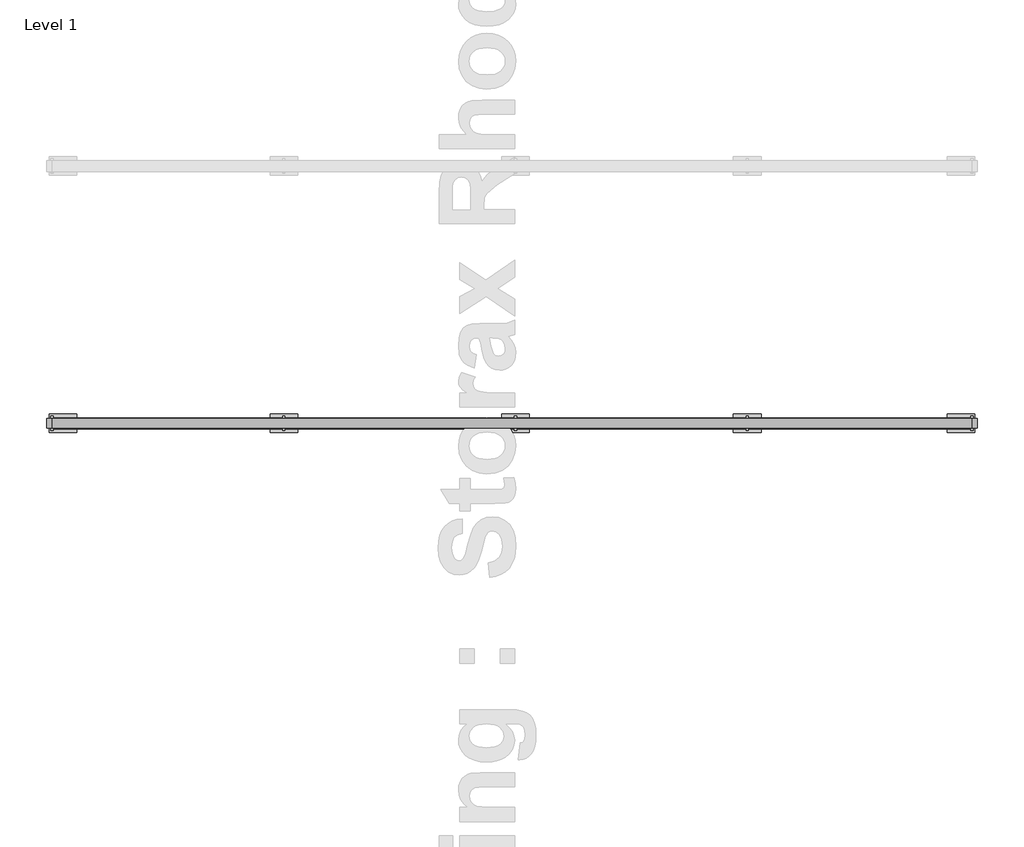
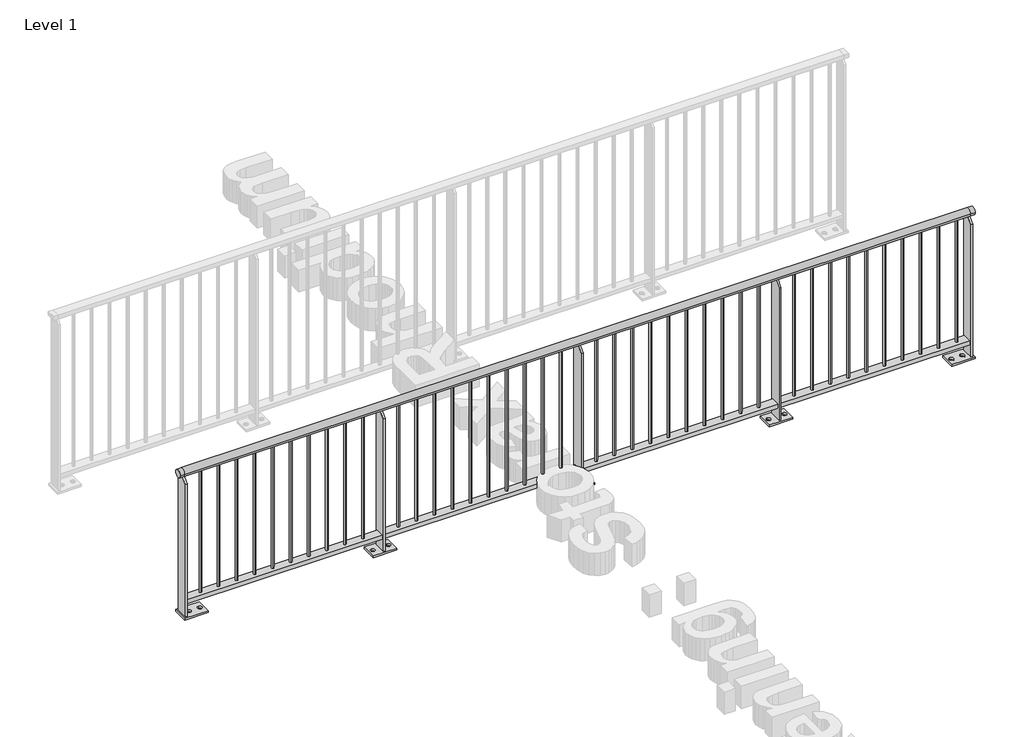
# One storey, part 7 of 20: 1 railing.
"""IFC4 building model written with IfcOpenShell, lengths in millimetres."""

from ifc_helpers import new_model, si_unit, point, frame, frame_2d, origin, origin_with_axes, place, context, project, spatial, polyline, circle_curve, trimmed, segment, composite_curve, outline, extrude, element, save
from ifc_brep_helpers import plane_surface, cylinder_surface, advanced_brep

model = new_model("IFC4")

# Units and contexts
model_context = context("Model", 3, world=origin())
ifc_project = project(units=[si_unit("LENGTHUNIT", "METRE", prefix="MILLI")], contexts=[model_context])

# Site, building, storey
site = spatial("IfcSite", under=ifc_project)
building = spatial("IfcBuilding", under=site)
storey = spatial("IfcBuildingStorey", under=building, Name="Level 1", Elevation=0.0)

# Railing
placement = place(None, origin())
element("IfcRailing", 1, at=placement, inside=storey, context=model_context, shape_type="SolidModel", body=[
    advanced_brep(
    [(2259.1925079, -2105.6318854, 962.5), (2259.1925079, -2155.6318854, 962.5), (7260.6479588, -2155.6318854, 962.5), (7260.6479588, -2105.6318854, 962.5), (2229.1925079, -2155.6318854, 962.5), (2229.1925079, -2105.6318854, 962.5), (7290.6479588, -2155.6318854, 962.5), (7290.6479588, -2105.6318854, 962.5)],
    [
        (0, 1, circle_curve(frame((2259.1925079, -2130.6318854, 962.5), z_axis=(1.0, 0.0, 0.0), x_axis=(0.0, 1.0, 0.0)), 25.0)),
        (1, 2),
        (2, 3, circle_curve(frame((7260.6479588, -2130.6318854, 962.5), z_axis=(-1.0, 0.0, 0.0), x_axis=(0.0, 1.0, 0.0)), 25.0)),
        (3, 0),
        (1, 0, circle_curve(frame((2259.1925079, -2130.6318854, 962.5), z_axis=(1.0, 0.0, 0.0), x_axis=(0.0, 1.0, 0.0)), 25.0)),
        (3, 2, circle_curve(frame((7260.6479588, -2130.6318854, 962.5), z_axis=(-1.0, 0.0, 0.0), x_axis=(0.0, 1.0, 0.0)), 25.0)),
        (4, 5, circle_curve(frame((2229.1925079, -2130.6318854, 962.5), z_axis=(-1.0, 0.0, 0.0), x_axis=(0.0, 1.0, 0.0)), 25.0)),
        (5, 4, circle_curve(frame((2229.1925079, -2130.6318854, 962.5), z_axis=(-1.0, 0.0, 0.0), x_axis=(0.0, 1.0, 0.0)), 25.0)),
        (6, 7, circle_curve(frame((7290.6479588, -2130.6318854, 962.5), z_axis=(1.0, 0.0, 0.0), x_axis=(0.0, 1.0, 0.0)), 25.0)),
        (7, 6, circle_curve(frame((7290.6479588, -2130.6318854, 962.5), z_axis=(1.0, 0.0, 0.0), x_axis=(0.0, 1.0, 0.0)), 25.0)),
        (4, 1),
        (0, 5),
        (2, 6),
        (7, 3),
    ],
    [
        cylinder_surface(frame((2259.1925079, -2130.6318854, 962.5), z_axis=(-1.0, 0.0, 0.0), x_axis=(0.0, 1.0, 0.0)), 25.0),
        plane_surface(frame((2229.1925079, -2130.6318854, 987.5), z_axis=(-1.0, 0.0, 0.0), x_axis=(0.0, 1.0, 0.0))),
        plane_surface(frame((7290.6479588, -2130.6318854, 987.5), z_axis=(1.0, 0.0, 0.0), x_axis=(0.0, 1.0, 0.0))),
        cylinder_surface(frame((2229.1925079, -2130.6318854, 962.5), z_axis=(-1.0, 0.0, 0.0), x_axis=(0.0, 1.0, 0.0)), 25.0),
        cylinder_surface(frame((7260.6479588, -2130.6318854, 962.5), z_axis=(-1.0, 0.0, 0.0), x_axis=(0.0, 1.0, 0.0)), 25.0),
    ],
    [
        (0, [[1, 2, 3, 4]]),
        (0, [[5, -4, 6, -2]]),
        (1, [[7, 8]]),
        (2, [[9, 10]]),
        (3, [[-7, 11, -1, 12]]),
        (3, [[-8, -12, -5, -11]]),
        (4, [[-3, 13, -10, 14]]),
        (4, [[-6, -14, -9, -13]]),
    ],
),
    extrude(outline(polyline([(2259.1925079, -2160.6318854), (2259.1925079, -2100.6318854), (7260.6479588, -2100.6318854), (7260.6479588, -2160.6318854), (2259.1925079, -2160.6318854)])), frame((0.0, 0.0, 90.0), z_axis=(0.0, 0.0, 1.0), x_axis=(1.0, 0.0, 0.0)), (0.0, 0.0, 1.0), 25.0),
    extrude(outline(composite_curve([segment(trimmed(circle_curve(frame_2d((7186.6925079, -2130.6318854)), 7.5), [point((7186.6925079, -2123.1318854))], [point((7186.6925079, -2138.1318854))], False, "CARTESIAN"), True, "CONTINUOUS"), segment(trimmed(circle_curve(frame_2d((7186.6925079, -2130.6318854)), 7.5), [point((7186.6925079, -2138.1318854))], [point((7186.6925079, -2123.1318854))], False, "CARTESIAN"), True, "CONTINUOUS")], self_intersect=False)), frame((0.0, 0.0, 115.0), z_axis=(0.0, 0.0, 1.0), x_axis=(1.0, 0.0, 0.0)), (0.0, 0.0, 1.0), 822.5),
    extrude(outline(composite_curve([segment(trimmed(circle_curve(frame_2d((7071.6925079, -2130.6318854)), 7.5), [point((7071.6925079, -2123.1318854))], [point((7071.6925079, -2138.1318854))], False, "CARTESIAN"), True, "CONTINUOUS"), segment(trimmed(circle_curve(frame_2d((7071.6925079, -2130.6318854)), 7.5), [point((7071.6925079, -2138.1318854))], [point((7071.6925079, -2123.1318854))], False, "CARTESIAN"), True, "CONTINUOUS")], self_intersect=False)), frame((0.0, 0.0, 115.0), z_axis=(0.0, 0.0, 1.0), x_axis=(1.0, 0.0, 0.0)), (0.0, 0.0, 1.0), 822.5),
    extrude(outline(composite_curve([segment(trimmed(circle_curve(frame_2d((6956.6925079, -2130.6318854)), 7.5), [point((6956.6925079, -2123.1318854))], [point((6956.6925079, -2138.1318854))], False, "CARTESIAN"), True, "CONTINUOUS"), segment(trimmed(circle_curve(frame_2d((6956.6925079, -2130.6318854)), 7.5), [point((6956.6925079, -2138.1318854))], [point((6956.6925079, -2123.1318854))], False, "CARTESIAN"), True, "CONTINUOUS")], self_intersect=False)), frame((0.0, 0.0, 115.0), z_axis=(0.0, 0.0, 1.0), x_axis=(1.0, 0.0, 0.0)), (0.0, 0.0, 1.0), 822.5),
    extrude(outline(composite_curve([segment(trimmed(circle_curve(frame_2d((6841.6925079, -2130.6318854)), 7.5), [point((6841.6925079, -2123.1318854))], [point((6841.6925079, -2138.1318854))], False, "CARTESIAN"), True, "CONTINUOUS"), segment(trimmed(circle_curve(frame_2d((6841.6925079, -2130.6318854)), 7.5), [point((6841.6925079, -2138.1318854))], [point((6841.6925079, -2123.1318854))], False, "CARTESIAN"), True, "CONTINUOUS")], self_intersect=False)), frame((0.0, 0.0, 115.0), z_axis=(0.0, 0.0, 1.0), x_axis=(1.0, 0.0, 0.0)), (0.0, 0.0, 1.0), 822.5),
    extrude(outline(composite_curve([segment(trimmed(circle_curve(frame_2d((6726.6925079, -2130.6318854)), 7.5), [point((6726.6925079, -2123.1318854))], [point((6726.6925079, -2138.1318854))], False, "CARTESIAN"), True, "CONTINUOUS"), segment(trimmed(circle_curve(frame_2d((6726.6925079, -2130.6318854)), 7.5), [point((6726.6925079, -2138.1318854))], [point((6726.6925079, -2123.1318854))], False, "CARTESIAN"), True, "CONTINUOUS")], self_intersect=False)), frame((0.0, 0.0, 115.0), z_axis=(0.0, 0.0, 1.0), x_axis=(1.0, 0.0, 0.0)), (0.0, 0.0, 1.0), 822.5),
    extrude(outline(composite_curve([segment(trimmed(circle_curve(frame_2d((6611.6925079, -2130.6318854)), 7.5), [point((6611.6925079, -2123.1318854))], [point((6611.6925079, -2138.1318854))], False, "CARTESIAN"), True, "CONTINUOUS"), segment(trimmed(circle_curve(frame_2d((6611.6925079, -2130.6318854)), 7.5), [point((6611.6925079, -2138.1318854))], [point((6611.6925079, -2123.1318854))], False, "CARTESIAN"), True, "CONTINUOUS")], self_intersect=False)), frame((0.0, 0.0, 115.0), z_axis=(0.0, 0.0, 1.0), x_axis=(1.0, 0.0, 0.0)), (0.0, 0.0, 1.0), 822.5),
    extrude(outline(composite_curve([segment(trimmed(circle_curve(frame_2d((6496.6925079, -2130.6318854)), 7.5), [point((6496.6925079, -2123.1318854))], [point((6496.6925079, -2138.1318854))], False, "CARTESIAN"), True, "CONTINUOUS"), segment(trimmed(circle_curve(frame_2d((6496.6925079, -2130.6318854)), 7.5), [point((6496.6925079, -2138.1318854))], [point((6496.6925079, -2123.1318854))], False, "CARTESIAN"), True, "CONTINUOUS")], self_intersect=False)), frame((0.0, 0.0, 115.0), z_axis=(0.0, 0.0, 1.0), x_axis=(1.0, 0.0, 0.0)), (0.0, 0.0, 1.0), 822.5),
    extrude(outline(composite_curve([segment(trimmed(circle_curve(frame_2d((6381.6925079, -2130.6318854)), 7.5), [point((6381.6925079, -2123.1318854))], [point((6381.6925079, -2138.1318854))], False, "CARTESIAN"), True, "CONTINUOUS"), segment(trimmed(circle_curve(frame_2d((6381.6925079, -2130.6318854)), 7.5), [point((6381.6925079, -2138.1318854))], [point((6381.6925079, -2123.1318854))], False, "CARTESIAN"), True, "CONTINUOUS")], self_intersect=False)), frame((0.0, 0.0, 115.0), z_axis=(0.0, 0.0, 1.0), x_axis=(1.0, 0.0, 0.0)), (0.0, 0.0, 1.0), 822.5),
    extrude(outline(composite_curve([segment(trimmed(circle_curve(frame_2d((6266.6925079, -2130.6318854)), 7.5), [point((6266.6925079, -2123.1318854))], [point((6266.6925079, -2138.1318854))], False, "CARTESIAN"), True, "CONTINUOUS"), segment(trimmed(circle_curve(frame_2d((6266.6925079, -2130.6318854)), 7.5), [point((6266.6925079, -2138.1318854))], [point((6266.6925079, -2123.1318854))], False, "CARTESIAN"), True, "CONTINUOUS")], self_intersect=False)), frame((0.0, 0.0, 115.0), z_axis=(0.0, 0.0, 1.0), x_axis=(1.0, 0.0, 0.0)), (0.0, 0.0, 1.0), 822.5),
    extrude(outline(composite_curve([segment(trimmed(circle_curve(frame_2d((6151.6925079, -2130.6318854)), 7.5), [point((6151.6925079, -2123.1318854))], [point((6151.6925079, -2138.1318854))], False, "CARTESIAN"), True, "CONTINUOUS"), segment(trimmed(circle_curve(frame_2d((6151.6925079, -2130.6318854)), 7.5), [point((6151.6925079, -2138.1318854))], [point((6151.6925079, -2123.1318854))], False, "CARTESIAN"), True, "CONTINUOUS")], self_intersect=False)), frame((0.0, 0.0, 115.0), z_axis=(0.0, 0.0, 1.0), x_axis=(1.0, 0.0, 0.0)), (0.0, 0.0, 1.0), 822.5),
    extrude(outline(polyline([(-2090.6318854, 12.0), (-2170.6318854, 12.0), (-2170.6318854, 905.0), (-2138.1318854, 937.5), (-2123.1318854, 937.5), (-2090.6318854, 905.0), (-2090.6318854, 12.0)])), frame((6033.1925079, 0.0, 0.0), z_axis=(1.0, 0.0, 0.0), x_axis=(0.0, 1.0, 0.0)), (0.0, 0.0, 1.0), 12.0),
    extrude(outline(polyline([(5964.1925079, -2080.6318854), (6114.1925079, -2080.6318854), (6114.1925079, -2180.6318854), (5964.1925079, -2180.6318854), (5964.1925079, -2080.6318854)]), holes=[composite_curve([segment(trimmed(circle_curve(frame_2d((5989.1925079, -2130.6318854)), 13.5), [point((5989.1925079, -2144.1318854))], [point((5989.1925079, -2117.1318854))], True, "CARTESIAN"), True, "CONTINUOUS"), segment(trimmed(circle_curve(frame_2d((5989.1925079, -2130.6318854)), 13.5), [point((5989.1925079, -2117.1318854))], [point((5989.1925079, -2144.1318854))], True, "CARTESIAN"), True, "CONTINUOUS")], self_intersect=False), composite_curve([segment(trimmed(circle_curve(frame_2d((6089.1925079, -2130.6318854)), 13.5), [point((6089.1925079, -2144.1318854))], [point((6089.1925079, -2117.1318854))], True, "CARTESIAN"), True, "CONTINUOUS"), segment(trimmed(circle_curve(frame_2d((6089.1925079, -2130.6318854)), 13.5), [point((6089.1925079, -2117.1318854))], [point((6089.1925079, -2144.1318854))], True, "CARTESIAN"), True, "CONTINUOUS")], self_intersect=False)]), origin_with_axes(), (0.0, 0.0, 1.0), 12.0),
    extrude(outline(composite_curve([segment(trimmed(circle_curve(frame_2d((5926.6925079, -2130.6318854)), 7.5), [point((5926.6925079, -2123.1318854))], [point((5926.6925079, -2138.1318854))], False, "CARTESIAN"), True, "CONTINUOUS"), segment(trimmed(circle_curve(frame_2d((5926.6925079, -2130.6318854)), 7.5), [point((5926.6925079, -2138.1318854))], [point((5926.6925079, -2123.1318854))], False, "CARTESIAN"), True, "CONTINUOUS")], self_intersect=False)), frame((0.0, 0.0, 115.0), z_axis=(0.0, 0.0, 1.0), x_axis=(1.0, 0.0, 0.0)), (0.0, 0.0, 1.0), 822.5),
    extrude(outline(composite_curve([segment(trimmed(circle_curve(frame_2d((5811.6925079, -2130.6318854)), 7.5), [point((5811.6925079, -2123.1318854))], [point((5811.6925079, -2138.1318854))], False, "CARTESIAN"), True, "CONTINUOUS"), segment(trimmed(circle_curve(frame_2d((5811.6925079, -2130.6318854)), 7.5), [point((5811.6925079, -2138.1318854))], [point((5811.6925079, -2123.1318854))], False, "CARTESIAN"), True, "CONTINUOUS")], self_intersect=False)), frame((0.0, 0.0, 115.0), z_axis=(0.0, 0.0, 1.0), x_axis=(1.0, 0.0, 0.0)), (0.0, 0.0, 1.0), 822.5),
    extrude(outline(composite_curve([segment(trimmed(circle_curve(frame_2d((5696.6925079, -2130.6318854)), 7.5), [point((5696.6925079, -2123.1318854))], [point((5696.6925079, -2138.1318854))], False, "CARTESIAN"), True, "CONTINUOUS"), segment(trimmed(circle_curve(frame_2d((5696.6925079, -2130.6318854)), 7.5), [point((5696.6925079, -2138.1318854))], [point((5696.6925079, -2123.1318854))], False, "CARTESIAN"), True, "CONTINUOUS")], self_intersect=False)), frame((0.0, 0.0, 115.0), z_axis=(0.0, 0.0, 1.0), x_axis=(1.0, 0.0, 0.0)), (0.0, 0.0, 1.0), 822.5),
    extrude(outline(composite_curve([segment(trimmed(circle_curve(frame_2d((5581.6925079, -2130.6318854)), 7.5), [point((5581.6925079, -2123.1318854))], [point((5581.6925079, -2138.1318854))], False, "CARTESIAN"), True, "CONTINUOUS"), segment(trimmed(circle_curve(frame_2d((5581.6925079, -2130.6318854)), 7.5), [point((5581.6925079, -2138.1318854))], [point((5581.6925079, -2123.1318854))], False, "CARTESIAN"), True, "CONTINUOUS")], self_intersect=False)), frame((0.0, 0.0, 115.0), z_axis=(0.0, 0.0, 1.0), x_axis=(1.0, 0.0, 0.0)), (0.0, 0.0, 1.0), 822.5),
    extrude(outline(composite_curve([segment(trimmed(circle_curve(frame_2d((5466.6925079, -2130.6318854)), 7.5), [point((5466.6925079, -2123.1318854))], [point((5466.6925079, -2138.1318854))], False, "CARTESIAN"), True, "CONTINUOUS"), segment(trimmed(circle_curve(frame_2d((5466.6925079, -2130.6318854)), 7.5), [point((5466.6925079, -2138.1318854))], [point((5466.6925079, -2123.1318854))], False, "CARTESIAN"), True, "CONTINUOUS")], self_intersect=False)), frame((0.0, 0.0, 115.0), z_axis=(0.0, 0.0, 1.0), x_axis=(1.0, 0.0, 0.0)), (0.0, 0.0, 1.0), 822.5),
    extrude(outline(composite_curve([segment(trimmed(circle_curve(frame_2d((5351.6925079, -2130.6318854)), 7.5), [point((5351.6925079, -2123.1318854))], [point((5351.6925079, -2138.1318854))], False, "CARTESIAN"), True, "CONTINUOUS"), segment(trimmed(circle_curve(frame_2d((5351.6925079, -2130.6318854)), 7.5), [point((5351.6925079, -2138.1318854))], [point((5351.6925079, -2123.1318854))], False, "CARTESIAN"), True, "CONTINUOUS")], self_intersect=False)), frame((0.0, 0.0, 115.0), z_axis=(0.0, 0.0, 1.0), x_axis=(1.0, 0.0, 0.0)), (0.0, 0.0, 1.0), 822.5),
    extrude(outline(composite_curve([segment(trimmed(circle_curve(frame_2d((5236.6925079, -2130.6318854)), 7.5), [point((5236.6925079, -2123.1318854))], [point((5236.6925079, -2138.1318854))], False, "CARTESIAN"), True, "CONTINUOUS"), segment(trimmed(circle_curve(frame_2d((5236.6925079, -2130.6318854)), 7.5), [point((5236.6925079, -2138.1318854))], [point((5236.6925079, -2123.1318854))], False, "CARTESIAN"), True, "CONTINUOUS")], self_intersect=False)), frame((0.0, 0.0, 115.0), z_axis=(0.0, 0.0, 1.0), x_axis=(1.0, 0.0, 0.0)), (0.0, 0.0, 1.0), 822.5),
    extrude(outline(composite_curve([segment(trimmed(circle_curve(frame_2d((5121.6925079, -2130.6318854)), 7.5), [point((5121.6925079, -2123.1318854))], [point((5121.6925079, -2138.1318854))], False, "CARTESIAN"), True, "CONTINUOUS"), segment(trimmed(circle_curve(frame_2d((5121.6925079, -2130.6318854)), 7.5), [point((5121.6925079, -2138.1318854))], [point((5121.6925079, -2123.1318854))], False, "CARTESIAN"), True, "CONTINUOUS")], self_intersect=False)), frame((0.0, 0.0, 115.0), z_axis=(0.0, 0.0, 1.0), x_axis=(1.0, 0.0, 0.0)), (0.0, 0.0, 1.0), 822.5),
    extrude(outline(composite_curve([segment(trimmed(circle_curve(frame_2d((5006.6925079, -2130.6318854)), 7.5), [point((5006.6925079, -2123.1318854))], [point((5006.6925079, -2138.1318854))], False, "CARTESIAN"), True, "CONTINUOUS"), segment(trimmed(circle_curve(frame_2d((5006.6925079, -2130.6318854)), 7.5), [point((5006.6925079, -2138.1318854))], [point((5006.6925079, -2123.1318854))], False, "CARTESIAN"), True, "CONTINUOUS")], self_intersect=False)), frame((0.0, 0.0, 115.0), z_axis=(0.0, 0.0, 1.0), x_axis=(1.0, 0.0, 0.0)), (0.0, 0.0, 1.0), 822.5),
    extrude(outline(composite_curve([segment(trimmed(circle_curve(frame_2d((4891.6925079, -2130.6318854)), 7.5), [point((4891.6925079, -2123.1318854))], [point((4891.6925079, -2138.1318854))], False, "CARTESIAN"), True, "CONTINUOUS"), segment(trimmed(circle_curve(frame_2d((4891.6925079, -2130.6318854)), 7.5), [point((4891.6925079, -2138.1318854))], [point((4891.6925079, -2123.1318854))], False, "CARTESIAN"), True, "CONTINUOUS")], self_intersect=False)), frame((0.0, 0.0, 115.0), z_axis=(0.0, 0.0, 1.0), x_axis=(1.0, 0.0, 0.0)), (0.0, 0.0, 1.0), 822.5),
    extrude(outline(polyline([(-2090.6318854, 12.0), (-2170.6318854, 12.0), (-2170.6318854, 905.0), (-2138.1318854, 937.5), (-2123.1318854, 937.5), (-2090.6318854, 905.0), (-2090.6318854, 12.0)])), frame((4773.1925079, 0.0, 0.0), z_axis=(1.0, 0.0, 0.0), x_axis=(0.0, 1.0, 0.0)), (0.0, 0.0, 1.0), 12.0),
    extrude(outline(polyline([(4704.1925079, -2080.6318854), (4854.1925079, -2080.6318854), (4854.1925079, -2180.6318854), (4704.1925079, -2180.6318854), (4704.1925079, -2080.6318854)]), holes=[composite_curve([segment(trimmed(circle_curve(frame_2d((4729.1925079, -2130.6318854)), 13.5), [point((4729.1925079, -2144.1318854))], [point((4729.1925079, -2117.1318854))], True, "CARTESIAN"), True, "CONTINUOUS"), segment(trimmed(circle_curve(frame_2d((4729.1925079, -2130.6318854)), 13.5), [point((4729.1925079, -2117.1318854))], [point((4729.1925079, -2144.1318854))], True, "CARTESIAN"), True, "CONTINUOUS")], self_intersect=False), composite_curve([segment(trimmed(circle_curve(frame_2d((4829.1925079, -2130.6318854)), 13.5), [point((4829.1925079, -2144.1318854))], [point((4829.1925079, -2117.1318854))], True, "CARTESIAN"), True, "CONTINUOUS"), segment(trimmed(circle_curve(frame_2d((4829.1925079, -2130.6318854)), 13.5), [point((4829.1925079, -2117.1318854))], [point((4829.1925079, -2144.1318854))], True, "CARTESIAN"), True, "CONTINUOUS")], self_intersect=False)]), origin_with_axes(), (0.0, 0.0, 1.0), 12.0),
    extrude(outline(composite_curve([segment(trimmed(circle_curve(frame_2d((4666.6925079, -2130.6318854)), 7.5), [point((4666.6925079, -2123.1318854))], [point((4666.6925079, -2138.1318854))], False, "CARTESIAN"), True, "CONTINUOUS"), segment(trimmed(circle_curve(frame_2d((4666.6925079, -2130.6318854)), 7.5), [point((4666.6925079, -2138.1318854))], [point((4666.6925079, -2123.1318854))], False, "CARTESIAN"), True, "CONTINUOUS")], self_intersect=False)), frame((0.0, 0.0, 115.0), z_axis=(0.0, 0.0, 1.0), x_axis=(1.0, 0.0, 0.0)), (0.0, 0.0, 1.0), 822.5),
    extrude(outline(composite_curve([segment(trimmed(circle_curve(frame_2d((4551.6925079, -2130.6318854)), 7.5), [point((4551.6925079, -2123.1318854))], [point((4551.6925079, -2138.1318854))], False, "CARTESIAN"), True, "CONTINUOUS"), segment(trimmed(circle_curve(frame_2d((4551.6925079, -2130.6318854)), 7.5), [point((4551.6925079, -2138.1318854))], [point((4551.6925079, -2123.1318854))], False, "CARTESIAN"), True, "CONTINUOUS")], self_intersect=False)), frame((0.0, 0.0, 115.0), z_axis=(0.0, 0.0, 1.0), x_axis=(1.0, 0.0, 0.0)), (0.0, 0.0, 1.0), 822.5),
    extrude(outline(composite_curve([segment(trimmed(circle_curve(frame_2d((4436.6925079, -2130.6318854)), 7.5), [point((4436.6925079, -2123.1318854))], [point((4436.6925079, -2138.1318854))], False, "CARTESIAN"), True, "CONTINUOUS"), segment(trimmed(circle_curve(frame_2d((4436.6925079, -2130.6318854)), 7.5), [point((4436.6925079, -2138.1318854))], [point((4436.6925079, -2123.1318854))], False, "CARTESIAN"), True, "CONTINUOUS")], self_intersect=False)), frame((0.0, 0.0, 115.0), z_axis=(0.0, 0.0, 1.0), x_axis=(1.0, 0.0, 0.0)), (0.0, 0.0, 1.0), 822.5),
    extrude(outline(composite_curve([segment(trimmed(circle_curve(frame_2d((4321.6925079, -2130.6318854)), 7.5), [point((4321.6925079, -2123.1318854))], [point((4321.6925079, -2138.1318854))], False, "CARTESIAN"), True, "CONTINUOUS"), segment(trimmed(circle_curve(frame_2d((4321.6925079, -2130.6318854)), 7.5), [point((4321.6925079, -2138.1318854))], [point((4321.6925079, -2123.1318854))], False, "CARTESIAN"), True, "CONTINUOUS")], self_intersect=False)), frame((0.0, 0.0, 115.0), z_axis=(0.0, 0.0, 1.0), x_axis=(1.0, 0.0, 0.0)), (0.0, 0.0, 1.0), 822.5),
    extrude(outline(composite_curve([segment(trimmed(circle_curve(frame_2d((4206.6925079, -2130.6318854)), 7.5), [point((4206.6925079, -2123.1318854))], [point((4206.6925079, -2138.1318854))], False, "CARTESIAN"), True, "CONTINUOUS"), segment(trimmed(circle_curve(frame_2d((4206.6925079, -2130.6318854)), 7.5), [point((4206.6925079, -2138.1318854))], [point((4206.6925079, -2123.1318854))], False, "CARTESIAN"), True, "CONTINUOUS")], self_intersect=False)), frame((0.0, 0.0, 115.0), z_axis=(0.0, 0.0, 1.0), x_axis=(1.0, 0.0, 0.0)), (0.0, 0.0, 1.0), 822.5),
    extrude(outline(composite_curve([segment(trimmed(circle_curve(frame_2d((4091.6925079, -2130.6318854)), 7.5), [point((4091.6925079, -2123.1318854))], [point((4091.6925079, -2138.1318854))], False, "CARTESIAN"), True, "CONTINUOUS"), segment(trimmed(circle_curve(frame_2d((4091.6925079, -2130.6318854)), 7.5), [point((4091.6925079, -2138.1318854))], [point((4091.6925079, -2123.1318854))], False, "CARTESIAN"), True, "CONTINUOUS")], self_intersect=False)), frame((0.0, 0.0, 115.0), z_axis=(0.0, 0.0, 1.0), x_axis=(1.0, 0.0, 0.0)), (0.0, 0.0, 1.0), 822.5),
    extrude(outline(composite_curve([segment(trimmed(circle_curve(frame_2d((3976.6925079, -2130.6318854)), 7.5), [point((3976.6925079, -2123.1318854))], [point((3976.6925079, -2138.1318854))], False, "CARTESIAN"), True, "CONTINUOUS"), segment(trimmed(circle_curve(frame_2d((3976.6925079, -2130.6318854)), 7.5), [point((3976.6925079, -2138.1318854))], [point((3976.6925079, -2123.1318854))], False, "CARTESIAN"), True, "CONTINUOUS")], self_intersect=False)), frame((0.0, 0.0, 115.0), z_axis=(0.0, 0.0, 1.0), x_axis=(1.0, 0.0, 0.0)), (0.0, 0.0, 1.0), 822.5),
    extrude(outline(composite_curve([segment(trimmed(circle_curve(frame_2d((3861.6925079, -2130.6318854)), 7.5), [point((3861.6925079, -2123.1318854))], [point((3861.6925079, -2138.1318854))], False, "CARTESIAN"), True, "CONTINUOUS"), segment(trimmed(circle_curve(frame_2d((3861.6925079, -2130.6318854)), 7.5), [point((3861.6925079, -2138.1318854))], [point((3861.6925079, -2123.1318854))], False, "CARTESIAN"), True, "CONTINUOUS")], self_intersect=False)), frame((0.0, 0.0, 115.0), z_axis=(0.0, 0.0, 1.0), x_axis=(1.0, 0.0, 0.0)), (0.0, 0.0, 1.0), 822.5),
    extrude(outline(composite_curve([segment(trimmed(circle_curve(frame_2d((3746.6925079, -2130.6318854)), 7.5), [point((3746.6925079, -2123.1318854))], [point((3746.6925079, -2138.1318854))], False, "CARTESIAN"), True, "CONTINUOUS"), segment(trimmed(circle_curve(frame_2d((3746.6925079, -2130.6318854)), 7.5), [point((3746.6925079, -2138.1318854))], [point((3746.6925079, -2123.1318854))], False, "CARTESIAN"), True, "CONTINUOUS")], self_intersect=False)), frame((0.0, 0.0, 115.0), z_axis=(0.0, 0.0, 1.0), x_axis=(1.0, 0.0, 0.0)), (0.0, 0.0, 1.0), 822.5),
    extrude(outline(composite_curve([segment(trimmed(circle_curve(frame_2d((3631.6925079, -2130.6318854)), 7.5), [point((3631.6925079, -2123.1318854))], [point((3631.6925079, -2138.1318854))], False, "CARTESIAN"), True, "CONTINUOUS"), segment(trimmed(circle_curve(frame_2d((3631.6925079, -2130.6318854)), 7.5), [point((3631.6925079, -2138.1318854))], [point((3631.6925079, -2123.1318854))], False, "CARTESIAN"), True, "CONTINUOUS")], self_intersect=False)), frame((0.0, 0.0, 115.0), z_axis=(0.0, 0.0, 1.0), x_axis=(1.0, 0.0, 0.0)), (0.0, 0.0, 1.0), 822.5),
    extrude(outline(polyline([(-2090.6318854, 12.0), (-2170.6318854, 12.0), (-2170.6318854, 905.0), (-2138.1318854, 937.5), (-2123.1318854, 937.5), (-2090.6318854, 905.0), (-2090.6318854, 12.0)])), frame((3513.1925079, 0.0, 0.0), z_axis=(1.0, 0.0, 0.0), x_axis=(0.0, 1.0, 0.0)), (0.0, 0.0, 1.0), 12.0),
    extrude(outline(polyline([(3444.1925079, -2080.6318854), (3594.1925079, -2080.6318854), (3594.1925079, -2180.6318854), (3444.1925079, -2180.6318854), (3444.1925079, -2080.6318854)]), holes=[composite_curve([segment(trimmed(circle_curve(frame_2d((3469.1925079, -2130.6318854)), 13.5), [point((3469.1925079, -2144.1318854))], [point((3469.1925079, -2117.1318854))], True, "CARTESIAN"), True, "CONTINUOUS"), segment(trimmed(circle_curve(frame_2d((3469.1925079, -2130.6318854)), 13.5), [point((3469.1925079, -2117.1318854))], [point((3469.1925079, -2144.1318854))], True, "CARTESIAN"), True, "CONTINUOUS")], self_intersect=False), composite_curve([segment(trimmed(circle_curve(frame_2d((3569.1925079, -2130.6318854)), 13.5), [point((3569.1925079, -2144.1318854))], [point((3569.1925079, -2117.1318854))], True, "CARTESIAN"), True, "CONTINUOUS"), segment(trimmed(circle_curve(frame_2d((3569.1925079, -2130.6318854)), 13.5), [point((3569.1925079, -2117.1318854))], [point((3569.1925079, -2144.1318854))], True, "CARTESIAN"), True, "CONTINUOUS")], self_intersect=False)]), origin_with_axes(), (0.0, 0.0, 1.0), 12.0),
    extrude(outline(composite_curve([segment(trimmed(circle_curve(frame_2d((3406.6925079, -2130.6318854)), 7.5), [point((3406.6925079, -2123.1318854))], [point((3406.6925079, -2138.1318854))], False, "CARTESIAN"), True, "CONTINUOUS"), segment(trimmed(circle_curve(frame_2d((3406.6925079, -2130.6318854)), 7.5), [point((3406.6925079, -2138.1318854))], [point((3406.6925079, -2123.1318854))], False, "CARTESIAN"), True, "CONTINUOUS")], self_intersect=False)), frame((0.0, 0.0, 115.0), z_axis=(0.0, 0.0, 1.0), x_axis=(1.0, 0.0, 0.0)), (0.0, 0.0, 1.0), 822.5),
    extrude(outline(composite_curve([segment(trimmed(circle_curve(frame_2d((3291.6925079, -2130.6318854)), 7.5), [point((3291.6925079, -2123.1318854))], [point((3291.6925079, -2138.1318854))], False, "CARTESIAN"), True, "CONTINUOUS"), segment(trimmed(circle_curve(frame_2d((3291.6925079, -2130.6318854)), 7.5), [point((3291.6925079, -2138.1318854))], [point((3291.6925079, -2123.1318854))], False, "CARTESIAN"), True, "CONTINUOUS")], self_intersect=False)), frame((0.0, 0.0, 115.0), z_axis=(0.0, 0.0, 1.0), x_axis=(1.0, 0.0, 0.0)), (0.0, 0.0, 1.0), 822.5),
    extrude(outline(composite_curve([segment(trimmed(circle_curve(frame_2d((3176.6925079, -2130.6318854)), 7.5), [point((3176.6925079, -2123.1318854))], [point((3176.6925079, -2138.1318854))], False, "CARTESIAN"), True, "CONTINUOUS"), segment(trimmed(circle_curve(frame_2d((3176.6925079, -2130.6318854)), 7.5), [point((3176.6925079, -2138.1318854))], [point((3176.6925079, -2123.1318854))], False, "CARTESIAN"), True, "CONTINUOUS")], self_intersect=False)), frame((0.0, 0.0, 115.0), z_axis=(0.0, 0.0, 1.0), x_axis=(1.0, 0.0, 0.0)), (0.0, 0.0, 1.0), 822.5),
    extrude(outline(composite_curve([segment(trimmed(circle_curve(frame_2d((3061.6925079, -2130.6318854)), 7.5), [point((3061.6925079, -2123.1318854))], [point((3061.6925079, -2138.1318854))], False, "CARTESIAN"), True, "CONTINUOUS"), segment(trimmed(circle_curve(frame_2d((3061.6925079, -2130.6318854)), 7.5), [point((3061.6925079, -2138.1318854))], [point((3061.6925079, -2123.1318854))], False, "CARTESIAN"), True, "CONTINUOUS")], self_intersect=False)), frame((0.0, 0.0, 115.0), z_axis=(0.0, 0.0, 1.0), x_axis=(1.0, 0.0, 0.0)), (0.0, 0.0, 1.0), 822.5),
    extrude(outline(composite_curve([segment(trimmed(circle_curve(frame_2d((2946.6925079, -2130.6318854)), 7.5), [point((2946.6925079, -2123.1318854))], [point((2946.6925079, -2138.1318854))], False, "CARTESIAN"), True, "CONTINUOUS"), segment(trimmed(circle_curve(frame_2d((2946.6925079, -2130.6318854)), 7.5), [point((2946.6925079, -2138.1318854))], [point((2946.6925079, -2123.1318854))], False, "CARTESIAN"), True, "CONTINUOUS")], self_intersect=False)), frame((0.0, 0.0, 115.0), z_axis=(0.0, 0.0, 1.0), x_axis=(1.0, 0.0, 0.0)), (0.0, 0.0, 1.0), 822.5),
    extrude(outline(composite_curve([segment(trimmed(circle_curve(frame_2d((2831.6925079, -2130.6318854)), 7.5), [point((2831.6925079, -2123.1318854))], [point((2831.6925079, -2138.1318854))], False, "CARTESIAN"), True, "CONTINUOUS"), segment(trimmed(circle_curve(frame_2d((2831.6925079, -2130.6318854)), 7.5), [point((2831.6925079, -2138.1318854))], [point((2831.6925079, -2123.1318854))], False, "CARTESIAN"), True, "CONTINUOUS")], self_intersect=False)), frame((0.0, 0.0, 115.0), z_axis=(0.0, 0.0, 1.0), x_axis=(1.0, 0.0, 0.0)), (0.0, 0.0, 1.0), 822.5),
    extrude(outline(composite_curve([segment(trimmed(circle_curve(frame_2d((2716.6925079, -2130.6318854)), 7.5), [point((2716.6925079, -2123.1318854))], [point((2716.6925079, -2138.1318854))], False, "CARTESIAN"), True, "CONTINUOUS"), segment(trimmed(circle_curve(frame_2d((2716.6925079, -2130.6318854)), 7.5), [point((2716.6925079, -2138.1318854))], [point((2716.6925079, -2123.1318854))], False, "CARTESIAN"), True, "CONTINUOUS")], self_intersect=False)), frame((0.0, 0.0, 115.0), z_axis=(0.0, 0.0, 1.0), x_axis=(1.0, 0.0, 0.0)), (0.0, 0.0, 1.0), 822.5),
    extrude(outline(composite_curve([segment(trimmed(circle_curve(frame_2d((2601.6925079, -2130.6318854)), 7.5), [point((2601.6925079, -2123.1318854))], [point((2601.6925079, -2138.1318854))], False, "CARTESIAN"), True, "CONTINUOUS"), segment(trimmed(circle_curve(frame_2d((2601.6925079, -2130.6318854)), 7.5), [point((2601.6925079, -2138.1318854))], [point((2601.6925079, -2123.1318854))], False, "CARTESIAN"), True, "CONTINUOUS")], self_intersect=False)), frame((0.0, 0.0, 115.0), z_axis=(0.0, 0.0, 1.0), x_axis=(1.0, 0.0, 0.0)), (0.0, 0.0, 1.0), 822.5),
    extrude(outline(composite_curve([segment(trimmed(circle_curve(frame_2d((2486.6925079, -2130.6318854)), 7.5), [point((2486.6925079, -2123.1318854))], [point((2486.6925079, -2138.1318854))], False, "CARTESIAN"), True, "CONTINUOUS"), segment(trimmed(circle_curve(frame_2d((2486.6925079, -2130.6318854)), 7.5), [point((2486.6925079, -2138.1318854))], [point((2486.6925079, -2123.1318854))], False, "CARTESIAN"), True, "CONTINUOUS")], self_intersect=False)), frame((0.0, 0.0, 115.0), z_axis=(0.0, 0.0, 1.0), x_axis=(1.0, 0.0, 0.0)), (0.0, 0.0, 1.0), 822.5),
    extrude(outline(composite_curve([segment(trimmed(circle_curve(frame_2d((2371.6925079, -2130.6318854)), 7.5), [point((2371.6925079, -2123.1318854))], [point((2371.6925079, -2138.1318854))], False, "CARTESIAN"), True, "CONTINUOUS"), segment(trimmed(circle_curve(frame_2d((2371.6925079, -2130.6318854)), 7.5), [point((2371.6925079, -2138.1318854))], [point((2371.6925079, -2123.1318854))], False, "CARTESIAN"), True, "CONTINUOUS")], self_intersect=False)), frame((0.0, 0.0, 115.0), z_axis=(0.0, 0.0, 1.0), x_axis=(1.0, 0.0, 0.0)), (0.0, 0.0, 1.0), 822.5),
    extrude(outline(polyline([(-2090.6318854, 12.0), (-2170.6318854, 12.0), (-2170.6318854, 905.0), (-2138.1318854, 937.5), (-2123.1318854, 937.5), (-2090.6318854, 905.0), (-2090.6318854, 12.0)])), frame((7254.6479588, 0.0, 0.0), z_axis=(1.0, 0.0, 0.0), x_axis=(0.0, 1.0, 0.0)), (0.0, 0.0, 1.0), 12.0),
    extrude(outline(polyline([(7126.6479588, -2080.6318854), (7276.6479588, -2080.6318854), (7276.6479588, -2180.6318854), (7126.6479588, -2180.6318854), (7126.6479588, -2080.6318854)]), holes=[composite_curve([segment(trimmed(circle_curve(frame_2d((7151.6479588, -2130.6318854)), 13.5), [point((7151.6479588, -2144.1318854))], [point((7151.6479588, -2117.1318854))], True, "CARTESIAN"), True, "CONTINUOUS"), segment(trimmed(circle_curve(frame_2d((7151.6479588, -2130.6318854)), 13.5), [point((7151.6479588, -2117.1318854))], [point((7151.6479588, -2144.1318854))], True, "CARTESIAN"), True, "CONTINUOUS")], self_intersect=False), composite_curve([segment(trimmed(circle_curve(frame_2d((7221.6479588, -2130.6318854)), 13.5), [point((7221.6479588, -2144.1318854))], [point((7221.6479588, -2117.1318854))], True, "CARTESIAN"), True, "CONTINUOUS"), segment(trimmed(circle_curve(frame_2d((7221.6479588, -2130.6318854)), 13.5), [point((7221.6479588, -2117.1318854))], [point((7221.6479588, -2144.1318854))], True, "CARTESIAN"), True, "CONTINUOUS")], self_intersect=False)]), origin_with_axes(), (0.0, 0.0, 1.0), 12.0),
    extrude(outline(polyline([(-2090.6318854, 12.0), (-2170.6318854, 12.0), (-2170.6318854, 905.0), (-2138.1318854, 937.5), (-2123.1318854, 937.5), (-2090.6318854, 905.0), (-2090.6318854, 12.0)])), frame((2253.1925079, 0.0, 0.0), z_axis=(1.0, 0.0, 0.0), x_axis=(0.0, 1.0, 0.0)), (0.0, 0.0, 1.0), 12.0),
    extrude(outline(polyline([(2243.1925079, -2080.6318854), (2393.1925079, -2080.6318854), (2393.1925079, -2180.6318854), (2243.1925079, -2180.6318854), (2243.1925079, -2080.6318854)]), holes=[composite_curve([segment(trimmed(circle_curve(frame_2d((2298.1925079, -2130.6318854)), 13.5), [point((2298.1925079, -2144.1318854))], [point((2298.1925079, -2117.1318854))], True, "CARTESIAN"), True, "CONTINUOUS"), segment(trimmed(circle_curve(frame_2d((2298.1925079, -2130.6318854)), 13.5), [point((2298.1925079, -2117.1318854))], [point((2298.1925079, -2144.1318854))], True, "CARTESIAN"), True, "CONTINUOUS")], self_intersect=False), composite_curve([segment(trimmed(circle_curve(frame_2d((2368.1925079, -2130.6318854)), 13.5), [point((2368.1925079, -2144.1318854))], [point((2368.1925079, -2117.1318854))], True, "CARTESIAN"), True, "CONTINUOUS"), segment(trimmed(circle_curve(frame_2d((2368.1925079, -2130.6318854)), 13.5), [point((2368.1925079, -2117.1318854))], [point((2368.1925079, -2144.1318854))], True, "CARTESIAN"), True, "CONTINUOUS")], self_intersect=False)]), origin_with_axes(), (0.0, 0.0, 1.0), 12.0),
])

save(model, "model.ifc")
